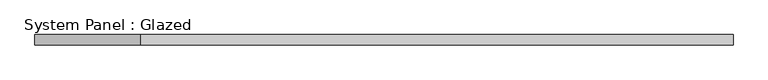
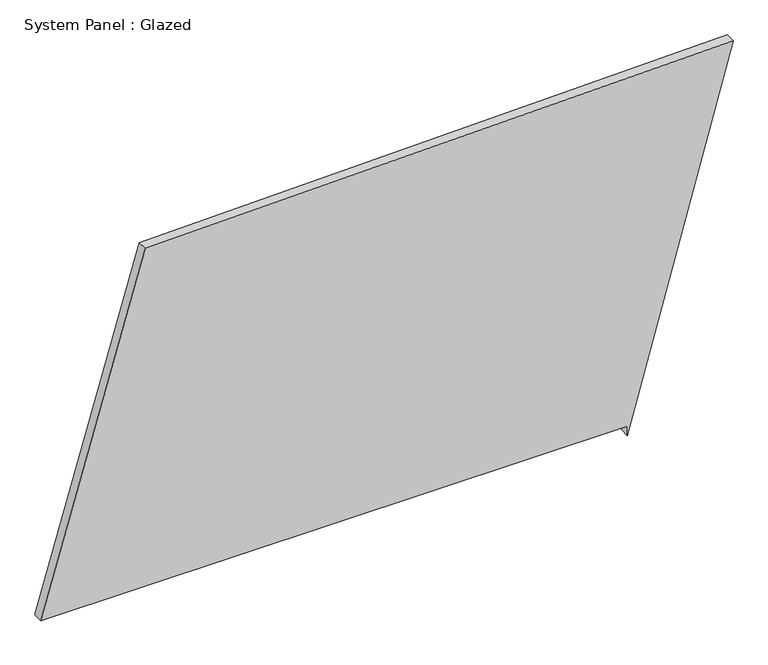
"""IFC4 building model written with IfcOpenShell, lengths in millimetres: plate geometry, System Panel : Glazed."""

import ifcopenshell
import ifcopenshell.guid

model = None  # the IFC model being written
_history = None  # IfcOwnerHistory: only IFC2X3 demands one
_inside = {}  # id of a spatial element -> (the spatial element, [elements in it])
_under = {}  # id of a project, library or spatial element -> (it, [spatial elements below it])
_declared = {}  # id of a project -> (the project, [libraries it declares])
_typed = {}  # id of a type object -> (the type object, [elements of that type])
_made_of = {}  # id of a material, layer set ... -> (it, [elements and type objects made of it])


def new_model(schema):
    """Start an empty IFC model of exactly this schema.

    Asked for "IFC4X3", IfcOpenShell would pick the latest addendum, in which some entities
    have other attributes; the version numbers below select the first issue.
    IFC2X3 requires an IfcOwnerHistory on every rooted entity: one is made here for all.
    """
    global model, _history
    if schema == "IFC4X3":
        model = ifcopenshell.file(schema_version=(4, 3, 0, 0))
    else:
        model = ifcopenshell.file(schema=schema)
    _inside.clear()
    _under.clear()
    _declared.clear()
    _typed.clear()
    _made_of.clear()
    _history = None
    if model.schema == "IFC2X3":
        org = make("IfcOrganization", Name="unknown")
        user = make(
            "IfcPersonAndOrganization",
            ThePerson=make("IfcPerson", FamilyName="unknown"),
            TheOrganization=org,
        )
        app = make(
            "IfcApplication",
            ApplicationDeveloper=org,
            Version="unknown",
            ApplicationFullName="unknown",
            ApplicationIdentifier="unknown",
        )
        _history = make(
            "IfcOwnerHistory",
            OwningUser=user,
            OwningApplication=app,
            ChangeAction="ADDED",
            CreationDate=0,
        )
    return model


def make(cls, **values):
    """One entity of the class cls with the attributes given. An attribute that is None is left unset."""
    return model.create_entity(
        cls, **{name: value for name, value in values.items() if value is not None}
    )


def rooted(cls, **values):
    """An entity with a GlobalId (a new one), such as an element, a storey or a relation."""
    return make(cls, GlobalId=ifcopenshell.guid.new(), OwnerHistory=_history, **values)


def si_unit(unit_type, name, prefix=None):
    """IfcSIUnit, for example si_unit("LENGTHUNIT", "METRE", prefix="MILLI")."""
    return make("IfcSIUnit", UnitType=unit_type, Prefix=prefix, Name=name)


def assignment(units):
    """IfcUnitAssignment: the units of a project."""
    return None if units is None else make("IfcUnitAssignment", Units=units)


def point(xyz):
    """IfcCartesianPoint."""
    return None if xyz is None else make("IfcCartesianPoint", Coordinates=xyz)


def direction(xyz):
    """IfcDirection."""
    return None if xyz is None else make("IfcDirection", DirectionRatios=xyz)


def frame(location, z_axis=None, x_axis=None):
    """IfcAxis2Placement3D, a coordinate frame: its origin and axes. An axis left out is left unset."""
    return make(
        "IfcAxis2Placement3D",
        Location=point(location),
        Axis=direction(z_axis),
        RefDirection=direction(x_axis),
    )


def origin():
    """The frame at (0, 0, 0) with its axes left unset."""
    return frame((0.0, 0.0, 0.0))


def place(relative_to, where):
    """IfcLocalPlacement: puts the frame where relative to a parent placement (None: the world)."""
    return make(
        "IfcLocalPlacement", PlacementRelTo=relative_to, RelativePlacement=where
    )


def context(
    kind, dimensions, precision=None, world=None, true_north=None, identifier=None
):
    """IfcGeometricRepresentationContext, for example the 3D "Model" context."""
    return make(
        "IfcGeometricRepresentationContext",
        ContextIdentifier=identifier,
        ContextType=kind,
        CoordinateSpaceDimension=dimensions,
        Precision=precision,
        WorldCoordinateSystem=world,
        TrueNorth=true_north,
    )


def project(units=None, contexts=None):
    """IfcProject with its units and contexts."""
    return rooted(
        "IfcProject",
        Name="project",
        RepresentationContexts=contexts,
        UnitsInContext=assignment(units),
    )


def spatial(cls, under=None, at=None, **own):
    """A site, building, storey or space (cls), placed at a placement, below another one or the project."""
    s = rooted(cls, ObjectPlacement=at, **own)
    if under is not None:
        _under.setdefault(under.id(), (under, []))[1].append(s)
    return s


def polyline(points):
    """IfcPolyline through the points."""
    return make("IfcPolyline", Points=[point(p) for p in points])


def outline(outer, holes=None, kind="AREA"):
    """IfcArbitraryClosedProfileDef: a profile drawn as a closed curve; with holes, ...WithVoids."""
    if holes is None:
        return make("IfcArbitraryClosedProfileDef", ProfileType=kind, OuterCurve=outer)
    return make(
        "IfcArbitraryProfileDefWithVoids",
        ProfileType=kind,
        OuterCurve=outer,
        InnerCurves=holes,
    )


def extrude(swept, where, along, depth):
    """IfcExtrudedAreaSolid: the profile swept, set in the frame where, extruded along a direction by depth."""
    return make(
        "IfcExtrudedAreaSolid",
        SweptArea=swept,
        Position=where,
        ExtrudedDirection=direction(along),
        Depth=depth,
    )


def shape(context_of_items, identifier, shape_type, items):
    """IfcShapeRepresentation: the items that make up one representation, for example the "Body"."""
    return make(
        "IfcShapeRepresentation",
        ContextOfItems=context_of_items,
        RepresentationIdentifier=identifier,
        RepresentationType=shape_type,
        Items=items,
    )


def source(mapping_origin, context_of_items, identifier, shape_type, items):
    """IfcRepresentationMap: a shape defined once, which mapped items show again and again."""
    return make(
        "IfcRepresentationMap",
        MappingOrigin=mapping_origin,
        MappedRepresentation=shape(context_of_items, identifier, shape_type, items),
    )


def transform(
    local_origin,
    x_axis=None,
    y_axis=None,
    z_axis=None,
    scale=None,
    scale2=None,
    scale3=None,
    uniform=True,
):
    """IfcCartesianTransformationOperator3D, or its non-uniform kind. x_axis, y_axis, z_axis: its Axis1, 2, 3."""
    if uniform:
        return make(
            "IfcCartesianTransformationOperator3D",
            Axis1=direction(x_axis),
            Axis2=direction(y_axis),
            LocalOrigin=point(local_origin),
            Scale=scale,
            Axis3=direction(z_axis),
        )
    return make(
        "IfcCartesianTransformationOperator3DnonUniform",
        Axis1=direction(x_axis),
        Axis2=direction(y_axis),
        LocalOrigin=point(local_origin),
        Scale=scale,
        Axis3=direction(z_axis),
        Scale2=scale2,
        Scale3=scale3,
    )


def mapped(mapping_source, mapping_target):
    """IfcMappedItem: shows the shape of a source again, moved by a transform."""
    return make(
        "IfcMappedItem", MappingSource=mapping_source, MappingTarget=mapping_target
    )


def made_of(thing, what):
    """Note that an element or type object is made of a material, layer set ...; save() writes the relation."""
    if what is not None:
        _made_of.setdefault(what.id(), (what, []))[1].append(thing)
    return thing


def element(
    cls,
    number,
    at=None,
    inside=None,
    cuts=None,
    type_object=None,
    material=None,
    context=None,
    identifier="Body",
    shape_type=None,
    held_by="IfcProductDefinitionShape",
    body=None,
    shapes=None,
    **own,
):
    """One element of the class cls, such as IfcWall. Its Tag is "e" and its number.

    at: its placement. inside: the storey or other place that contains it. cuts: it is an
    opening in that element (IfcRelVoidsElement). A single representation is given by context,
    identifier, shape_type and body (its items); several are given by shapes. held_by: the class
    of the entity that holds the representations. save() writes the other relations.
    """
    e = rooted(cls, Tag="e%d" % number, ObjectPlacement=at, **own)
    if body is not None:
        shapes = [shape(context, identifier, shape_type, body)]
    if shapes is not None:
        e.Representation = make(held_by, Representations=shapes)
    if inside is not None:
        _inside.setdefault(inside.id(), (inside, []))[1].append(e)
    if cuts is not None:
        rooted(
            "IfcRelVoidsElement", RelatingBuildingElement=cuts, RelatedOpeningElement=e
        )
    if type_object is not None:
        _typed.setdefault(type_object.id(), (type_object, []))[1].append(e)
    return made_of(e, material)


def aggregate(whole, parts):
    """IfcRelAggregates: a whole, such as a stair, and the parts it consists of."""
    return rooted("IfcRelAggregates", RelatingObject=whole, RelatedObjects=parts)


def save(model, path):
    """Write the relations noted so far, then the file.

    IfcRelAggregates (storeys below a building ...), IfcRelContainedInSpatialStructure (elements
    in a storey), IfcRelDefinesByType, IfcRelAssociatesMaterial and IfcRelDeclares: one each for
    every whole, place, type object, material and project.
    """
    for whole, parts in _under.values():
        aggregate(whole, parts)
    for where, things in _inside.values():
        rooted(
            "IfcRelContainedInSpatialStructure",
            RelatedElements=things,
            RelatingStructure=where,
        )
    for kind, things in _typed.values():
        rooted("IfcRelDefinesByType", RelatedObjects=things, RelatingType=kind)
    for what, things in _made_of.values():
        rooted("IfcRelAssociatesMaterial", RelatedObjects=things, RelatingMaterial=what)
    for by, libraries in _declared.values():
        rooted("IfcRelDeclares", RelatingContext=by, RelatedDefinitions=libraries)
    model.write(path)


def system_panel_glazed_70dbc5a3(model_context):
    return source(origin(), model_context, "Body", "SweptSolid", [
        extrude(outline(polyline([(25.0, 599.1891844), (0.0, 599.1891844), (948.6047643, 862.6956179), (914.5865618, -602.6636321), (25.0, -862.6956179), (25.0, 599.1891844)])), frame((0.0, -49.5, 0.0), z_axis=(0.0, 1.0, 0.0), x_axis=(0.0, 0.0, 1.0)), (0.0, 0.0, 1.0), 25.0),
    ])


if __name__ == "__main__":
    model = new_model("IFC4")
    model_context = context("Model", 3, world=origin())
    ifc_project = project(units=[si_unit("LENGTHUNIT", "METRE", prefix="MILLI")], contexts=[model_context])
    site = spatial("IfcSite", under=ifc_project)
    building = spatial("IfcBuilding", under=site)
    placement = place(None, origin())
    system_panel_glazed_shape = system_panel_glazed_70dbc5a3(model_context)
    element("IfcPlate", 1, ObjectType="System Panel : Glazed", at=placement, inside=building, context=model_context, shape_type="MappedRepresentation", body=[
        mapped(system_panel_glazed_shape, transform((0.0, 0.0, 0.0), x_axis=(1.0, 0.0, 0.0), y_axis=(0.0, 1.0, 0.0), z_axis=(0.0, 0.0, 1.0))),
    ])
    save(model, "model.ifc")
